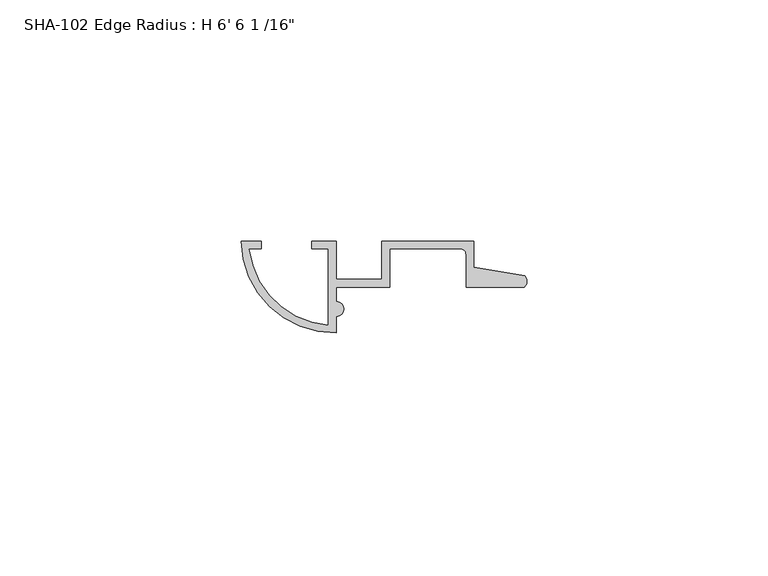
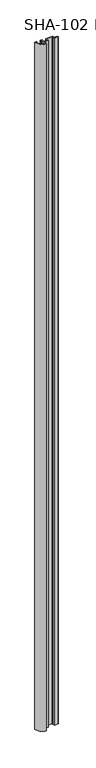
"""IFC4 building model written with IfcOpenShell, lengths in millimetres: proxy geometry."""

from ifc_helpers import new_model, si_unit, point, frame_2d, origin, origin_with_axes, place, context, project, spatial, polyline, circle_curve, trimmed, segment, composite_curve, outline, extrude, source, transform, mapped, element, save


def proxy_5b50850c(model_context):
    return source(origin(), model_context, "Body", "SweptSolid", [
        extrude(outline(composite_curve([segment(polyline([(19.685, 19.685), (19.685, 11.7348), (29.21, 11.7348), (29.21, 19.685), (48.2346, 19.685), (48.2346, 14.292343), (58.8106869, 12.4813692)]), True, "CONTINUOUS"), segment(trimmed(circle_curve(frame_2d((57.6538454, 11.3526765)), 1.6162393), [point((58.8106869, 12.4813692))], [point((58.7446031, 10.16))], False, "CARTESIAN"), True, "CONTINUOUS"), segment(polyline([(58.7446031, 10.16), (46.6598, 10.16), (46.6598, 16.8402)]), True, "CONTINUOUS"), segment(trimmed(circle_curve(frame_2d((45.3898, 16.8402)), 1.27), [point((46.6598, 16.8402))], [point((45.3898, 18.1102))], True, "CARTESIAN"), True, "CONTINUOUS"), segment(polyline([(45.3898, 18.1102), (30.7848, 18.1102), (30.7848, 10.16), (19.685, 10.16), (19.685, 7.1707375)]), True, "CONTINUOUS"), segment(trimmed(circle_curve(frame_2d((19.685, 5.5959375)), 1.5748), [point((19.685, 7.1707375))], [point((19.685, 4.0211375))], False, "CARTESIAN"), True, "CONTINUOUS"), segment(polyline([(19.685, 4.0211375), (19.685, 0.635)]), True, "CONTINUOUS"), segment(trimmed(circle_curve(frame_2d((19.4361537, 20.073187)), 19.4397798), [point((19.685, 0.635))], [point((0.00025, 19.685))], False, "CARTESIAN"), True, "CONTINUOUS"), segment(polyline([(0.00025, 19.685), (4.1859022, 19.685), (4.1859022, 18.1102), (1.6301126, 18.1102)]), True, "CONTINUOUS"), segment(trimmed(circle_curve(frame_2d((19.374142, 20.073187)), 17.8522798), [point((1.6301126, 18.1102))], [point((18.1102, 2.265707))], True, "CARTESIAN"), True, "CONTINUOUS"), segment(polyline([(18.1102, 2.265707), (18.1102, 18.1102), (14.605, 18.1102), (14.605, 19.685), (19.685, 19.685)]), True, "CONTINUOUS")], self_intersect=False)), origin_with_axes(), (0.0, 0.0, 1.0), 1982.7875),
    ])


if __name__ == "__main__":
    model = new_model("IFC4")
    model_context = context("Model", 3, world=origin())
    ifc_project = project(units=[si_unit("LENGTHUNIT", "METRE", prefix="MILLI")], contexts=[model_context])
    site = spatial("IfcSite", under=ifc_project)
    building = spatial("IfcBuilding", under=site)
    placement = place(None, origin())
    proxy_shape = proxy_5b50850c(model_context)
    element("IfcBuildingElementProxy", 1, Name="SHA-102 Edge Radius : H 6' 6 1 /16\"", ObjectType="SHA-102 Edge Radius : H 6' 6 1 /16\"", at=placement, inside=building, context=model_context, shape_type="MappedRepresentation", body=[
        mapped(proxy_shape, transform((0.0, 0.0, 0.0), x_axis=(1.0, 0.0, 0.0), y_axis=(0.0, 1.0, 0.0), z_axis=(0.0, 0.0, 1.0))),
    ])
    save(model, "model.ifc")
